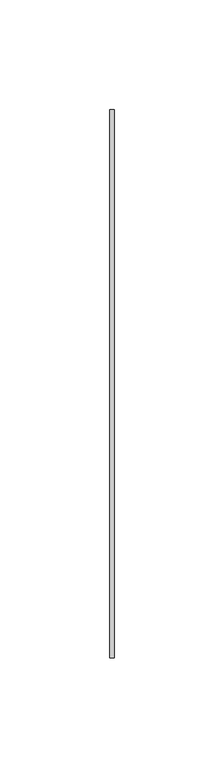
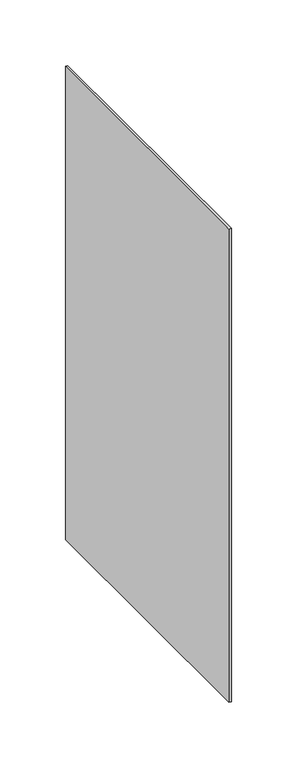
"""IFC4 building model written with IfcOpenShell, lengths in millimetres: proxy geometry."""

from ifc_helpers import new_model, si_unit, frame, origin, place, context, project, spatial, polyline, outline, extrude, source, transform, mapped, element, save


def generic_models_be6c4f52(model_context):
    return source(origin(), model_context, "Body", "SweptSolid", [
        extrude(outline(polyline([(2.0, 125.0), (2.0, -125.0), (0.0, -125.0), (0.0, 125.0), (2.0, 125.0)])), frame((0.0, 0.0, -441.0), z_axis=(0.0, 0.0, 1.0), x_axis=(1.0, 0.0, 0.0)), (0.0, 0.0, 1.0), 441.0),
    ])


if __name__ == "__main__":
    model = new_model("IFC4")
    model_context = context("Model", 3, world=origin())
    ifc_project = project(units=[si_unit("LENGTHUNIT", "METRE", prefix="MILLI")], contexts=[model_context])
    site = spatial("IfcSite", under=ifc_project)
    building = spatial("IfcBuilding", under=site)
    placement = place(None, origin())
    generic_models_shape = generic_models_be6c4f52(model_context)
    element("IfcBuildingElementProxy", 1, Name="Generic Models", at=placement, inside=building, context=model_context, shape_type="MappedRepresentation", body=[
        mapped(generic_models_shape, transform((0.0, 0.0, 0.0), x_axis=(1.0, 0.0, 0.0), y_axis=(0.0, 1.0, 0.0), z_axis=(0.0, 0.0, 1.0))),
    ])
    save(model, "model.ifc")
